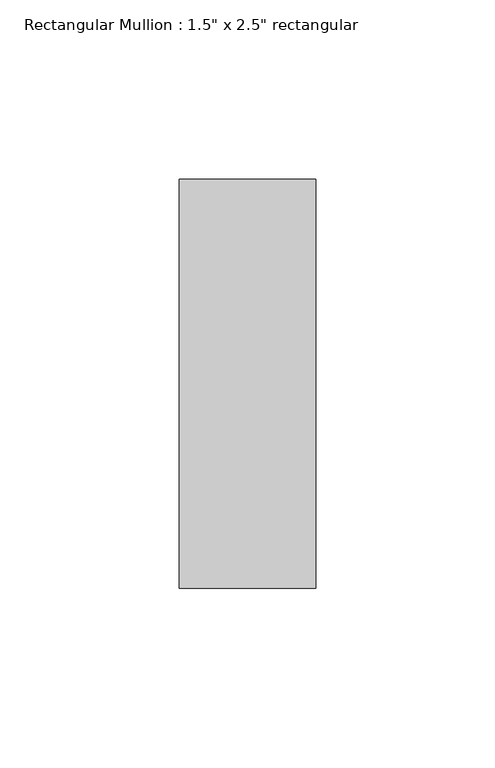
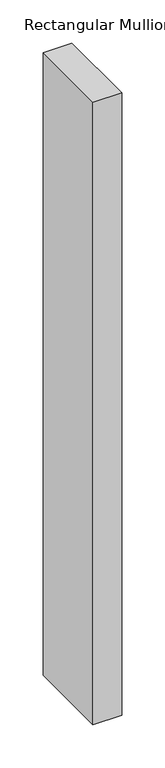
"""IFC4 building model written with IfcOpenShell, lengths in millimetres: member geometry."""

from ifc_helpers import new_model, si_unit, frame, origin, place, context, project, spatial, polyline, outline, extrude, source, transform, mapped, element, save


def member_dc39f459(model_context):
    return source(origin(), model_context, "Body", "SweptSolid", [
        extrude(outline(polyline([(0.0, 57.15), (0.0, -57.15), (-38.1, -57.15), (-38.1, 57.15), (0.0, 57.15)])), frame((0.0, 0.0, -876.3), z_axis=(0.0, 0.0, 1.0), x_axis=(1.0, 0.0, 0.0)), (0.0, 0.0, 1.0), 876.3),
    ])


if __name__ == "__main__":
    model = new_model("IFC4")
    model_context = context("Model", 3, world=origin())
    ifc_project = project(units=[si_unit("LENGTHUNIT", "METRE", prefix="MILLI")], contexts=[model_context])
    site = spatial("IfcSite", under=ifc_project)
    building = spatial("IfcBuilding", under=site)
    placement = place(None, origin())
    member_shape = member_dc39f459(model_context)
    element("IfcMember", 1, ObjectType="Rectangular Mullion : 1.5\" x 2.5\" rectangular", at=placement, inside=building, context=model_context, shape_type="MappedRepresentation", body=[
        mapped(member_shape, transform((0.0, 0.0, 0.0), x_axis=(1.0, 0.0, 0.0), y_axis=(0.0, 1.0, 0.0), z_axis=(0.0, 0.0, 1.0))),
    ])
    save(model, "model.ifc")
